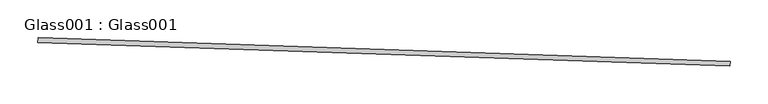
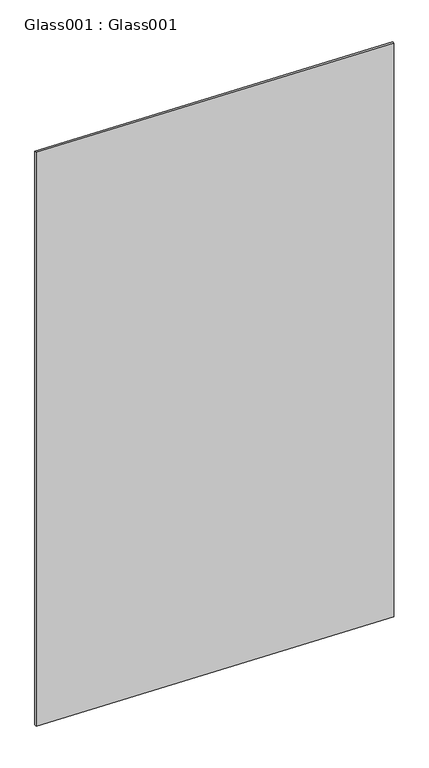
"""IFC4 building model written with IfcOpenShell, lengths in millimetres: proxy geometry, Glass001 : Glass001."""

import ifcopenshell
import ifcopenshell.guid

model = None  # the IFC model being written
_history = None  # IfcOwnerHistory: only IFC2X3 demands one
_inside = {}  # id of a spatial element -> (the spatial element, [elements in it])
_under = {}  # id of a project, library or spatial element -> (it, [spatial elements below it])
_declared = {}  # id of a project -> (the project, [libraries it declares])
_typed = {}  # id of a type object -> (the type object, [elements of that type])
_made_of = {}  # id of a material, layer set ... -> (it, [elements and type objects made of it])


def new_model(schema):
    """Start an empty IFC model of exactly this schema.

    Asked for "IFC4X3", IfcOpenShell would pick the latest addendum, in which some entities
    have other attributes; the version numbers below select the first issue.
    IFC2X3 requires an IfcOwnerHistory on every rooted entity: one is made here for all.
    """
    global model, _history
    if schema == "IFC4X3":
        model = ifcopenshell.file(schema_version=(4, 3, 0, 0))
    else:
        model = ifcopenshell.file(schema=schema)
    _inside.clear()
    _under.clear()
    _declared.clear()
    _typed.clear()
    _made_of.clear()
    _history = None
    if model.schema == "IFC2X3":
        org = make("IfcOrganization", Name="unknown")
        user = make(
            "IfcPersonAndOrganization",
            ThePerson=make("IfcPerson", FamilyName="unknown"),
            TheOrganization=org,
        )
        app = make(
            "IfcApplication",
            ApplicationDeveloper=org,
            Version="unknown",
            ApplicationFullName="unknown",
            ApplicationIdentifier="unknown",
        )
        _history = make(
            "IfcOwnerHistory",
            OwningUser=user,
            OwningApplication=app,
            ChangeAction="ADDED",
            CreationDate=0,
        )
    return model


def make(cls, **values):
    """One entity of the class cls with the attributes given. An attribute that is None is left unset."""
    return model.create_entity(
        cls, **{name: value for name, value in values.items() if value is not None}
    )


def rooted(cls, **values):
    """An entity with a GlobalId (a new one), such as an element, a storey or a relation."""
    return make(cls, GlobalId=ifcopenshell.guid.new(), OwnerHistory=_history, **values)


def si_unit(unit_type, name, prefix=None):
    """IfcSIUnit, for example si_unit("LENGTHUNIT", "METRE", prefix="MILLI")."""
    return make("IfcSIUnit", UnitType=unit_type, Prefix=prefix, Name=name)


def assignment(units):
    """IfcUnitAssignment: the units of a project."""
    return None if units is None else make("IfcUnitAssignment", Units=units)


def point(xyz):
    """IfcCartesianPoint."""
    return None if xyz is None else make("IfcCartesianPoint", Coordinates=xyz)


def direction(xyz):
    """IfcDirection."""
    return None if xyz is None else make("IfcDirection", DirectionRatios=xyz)


def frame(location, z_axis=None, x_axis=None):
    """IfcAxis2Placement3D, a coordinate frame: its origin and axes. An axis left out is left unset."""
    return make(
        "IfcAxis2Placement3D",
        Location=point(location),
        Axis=direction(z_axis),
        RefDirection=direction(x_axis),
    )


def origin():
    """The frame at (0, 0, 0) with its axes left unset."""
    return frame((0.0, 0.0, 0.0))


def place(relative_to, where):
    """IfcLocalPlacement: puts the frame where relative to a parent placement (None: the world)."""
    return make(
        "IfcLocalPlacement", PlacementRelTo=relative_to, RelativePlacement=where
    )


def context(
    kind, dimensions, precision=None, world=None, true_north=None, identifier=None
):
    """IfcGeometricRepresentationContext, for example the 3D "Model" context."""
    return make(
        "IfcGeometricRepresentationContext",
        ContextIdentifier=identifier,
        ContextType=kind,
        CoordinateSpaceDimension=dimensions,
        Precision=precision,
        WorldCoordinateSystem=world,
        TrueNorth=true_north,
    )


def project(units=None, contexts=None):
    """IfcProject with its units and contexts."""
    return rooted(
        "IfcProject",
        Name="project",
        RepresentationContexts=contexts,
        UnitsInContext=assignment(units),
    )


def spatial(cls, under=None, at=None, **own):
    """A site, building, storey or space (cls), placed at a placement, below another one or the project."""
    s = rooted(cls, ObjectPlacement=at, **own)
    if under is not None:
        _under.setdefault(under.id(), (under, []))[1].append(s)
    return s


def polyline(points):
    """IfcPolyline through the points."""
    return make("IfcPolyline", Points=[point(p) for p in points])


def outline(outer, holes=None, kind="AREA"):
    """IfcArbitraryClosedProfileDef: a profile drawn as a closed curve; with holes, ...WithVoids."""
    if holes is None:
        return make("IfcArbitraryClosedProfileDef", ProfileType=kind, OuterCurve=outer)
    return make(
        "IfcArbitraryProfileDefWithVoids",
        ProfileType=kind,
        OuterCurve=outer,
        InnerCurves=holes,
    )


def extrude(swept, where, along, depth):
    """IfcExtrudedAreaSolid: the profile swept, set in the frame where, extruded along a direction by depth."""
    return make(
        "IfcExtrudedAreaSolid",
        SweptArea=swept,
        Position=where,
        ExtrudedDirection=direction(along),
        Depth=depth,
    )


def shape(context_of_items, identifier, shape_type, items):
    """IfcShapeRepresentation: the items that make up one representation, for example the "Body"."""
    return make(
        "IfcShapeRepresentation",
        ContextOfItems=context_of_items,
        RepresentationIdentifier=identifier,
        RepresentationType=shape_type,
        Items=items,
    )


def source(mapping_origin, context_of_items, identifier, shape_type, items):
    """IfcRepresentationMap: a shape defined once, which mapped items show again and again."""
    return make(
        "IfcRepresentationMap",
        MappingOrigin=mapping_origin,
        MappedRepresentation=shape(context_of_items, identifier, shape_type, items),
    )


def transform(
    local_origin,
    x_axis=None,
    y_axis=None,
    z_axis=None,
    scale=None,
    scale2=None,
    scale3=None,
    uniform=True,
):
    """IfcCartesianTransformationOperator3D, or its non-uniform kind. x_axis, y_axis, z_axis: its Axis1, 2, 3."""
    if uniform:
        return make(
            "IfcCartesianTransformationOperator3D",
            Axis1=direction(x_axis),
            Axis2=direction(y_axis),
            LocalOrigin=point(local_origin),
            Scale=scale,
            Axis3=direction(z_axis),
        )
    return make(
        "IfcCartesianTransformationOperator3DnonUniform",
        Axis1=direction(x_axis),
        Axis2=direction(y_axis),
        LocalOrigin=point(local_origin),
        Scale=scale,
        Axis3=direction(z_axis),
        Scale2=scale2,
        Scale3=scale3,
    )


def mapped(mapping_source, mapping_target):
    """IfcMappedItem: shows the shape of a source again, moved by a transform."""
    return make(
        "IfcMappedItem", MappingSource=mapping_source, MappingTarget=mapping_target
    )


def made_of(thing, what):
    """Note that an element or type object is made of a material, layer set ...; save() writes the relation."""
    if what is not None:
        _made_of.setdefault(what.id(), (what, []))[1].append(thing)
    return thing


def element(
    cls,
    number,
    at=None,
    inside=None,
    cuts=None,
    type_object=None,
    material=None,
    context=None,
    identifier="Body",
    shape_type=None,
    held_by="IfcProductDefinitionShape",
    body=None,
    shapes=None,
    **own,
):
    """One element of the class cls, such as IfcWall. Its Tag is "e" and its number.

    at: its placement. inside: the storey or other place that contains it. cuts: it is an
    opening in that element (IfcRelVoidsElement). A single representation is given by context,
    identifier, shape_type and body (its items); several are given by shapes. held_by: the class
    of the entity that holds the representations. save() writes the other relations.
    """
    e = rooted(cls, Tag="e%d" % number, ObjectPlacement=at, **own)
    if body is not None:
        shapes = [shape(context, identifier, shape_type, body)]
    if shapes is not None:
        e.Representation = make(held_by, Representations=shapes)
    if inside is not None:
        _inside.setdefault(inside.id(), (inside, []))[1].append(e)
    if cuts is not None:
        rooted(
            "IfcRelVoidsElement", RelatingBuildingElement=cuts, RelatedOpeningElement=e
        )
    if type_object is not None:
        _typed.setdefault(type_object.id(), (type_object, []))[1].append(e)
    return made_of(e, material)


def aggregate(whole, parts):
    """IfcRelAggregates: a whole, such as a stair, and the parts it consists of."""
    return rooted("IfcRelAggregates", RelatingObject=whole, RelatedObjects=parts)


def save(model, path):
    """Write the relations noted so far, then the file.

    IfcRelAggregates (storeys below a building ...), IfcRelContainedInSpatialStructure (elements
    in a storey), IfcRelDefinesByType, IfcRelAssociatesMaterial and IfcRelDeclares: one each for
    every whole, place, type object, material and project.
    """
    for whole, parts in _under.values():
        aggregate(whole, parts)
    for where, things in _inside.values():
        rooted(
            "IfcRelContainedInSpatialStructure",
            RelatedElements=things,
            RelatingStructure=where,
        )
    for kind, things in _typed.values():
        rooted("IfcRelDefinesByType", RelatedObjects=things, RelatingType=kind)
    for what, things in _made_of.values():
        rooted("IfcRelAssociatesMaterial", RelatedObjects=things, RelatingMaterial=what)
    for by, libraries in _declared.values():
        rooted("IfcRelDeclares", RelatingContext=by, RelatedDefinitions=libraries)
    model.write(path)


def glass001_glass001_05885ca6(model_context):
    return source(origin(), model_context, "Body", "SweptSolid", [
        extrude(outline(polyline([(34353.2335795, -15509.6911097), (34353.0164565, -15516.0373967), (33439.1511404, -15484.7716966), (33439.3682634, -15478.4254097), (34353.2335795, -15509.6911097)])), frame((0.0, 0.0, 1119.9084428), z_axis=(0.0, 0.0, 1.0), x_axis=(1.0, 0.0, 0.0)), (0.0, 0.0, 1.0), 1581.222807),
    ])


if __name__ == "__main__":
    model = new_model("IFC4")
    model_context = context("Model", 3, world=origin())
    ifc_project = project(units=[si_unit("LENGTHUNIT", "METRE", prefix="MILLI")], contexts=[model_context])
    site = spatial("IfcSite", under=ifc_project)
    building = spatial("IfcBuilding", under=site)
    placement = place(None, origin())
    glass001_glass001_shape = glass001_glass001_05885ca6(model_context)
    element("IfcBuildingElementProxy", 1, Name="Glass001 : Glass001", ObjectType="Glass001 : Glass001", at=placement, inside=building, context=model_context, shape_type="MappedRepresentation", body=[
        mapped(glass001_glass001_shape, transform((0.0, 0.0, 0.0), x_axis=(1.0, 0.0, 0.0), y_axis=(0.0, 1.0, 0.0), z_axis=(0.0, 0.0, 1.0))),
    ])
    save(model, "model.ifc")
